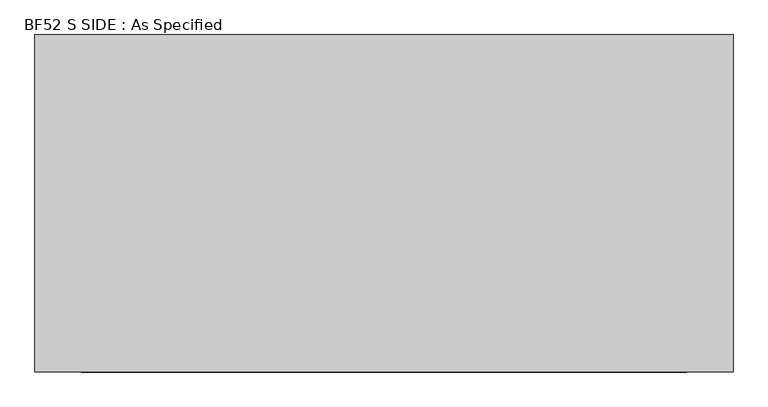
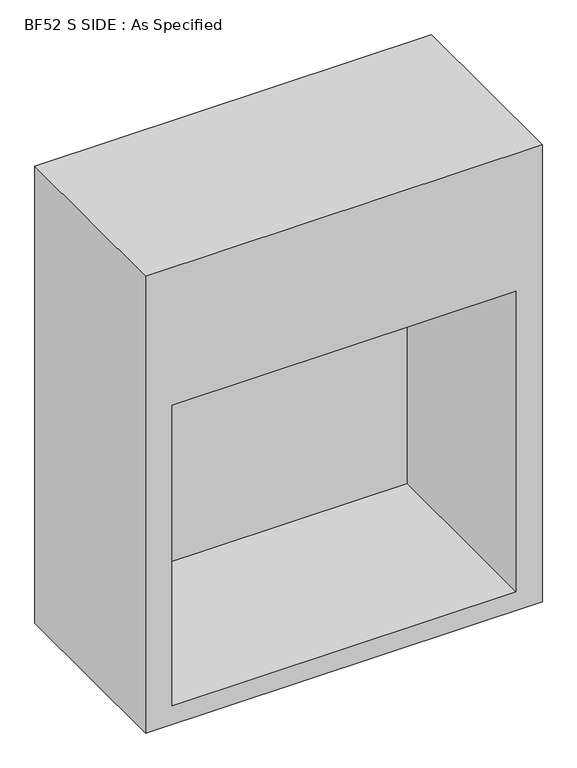
"""IFC4 building model written with IfcOpenShell, lengths in millimetres: proxy geometry, BF52 S SIDE : As Specified."""

from ifc_helpers import new_model, si_unit, origin, place, context, project, spatial, faceted_brep, source, transform, mapped, element, save


def bf52_s_side_as_specified_da9487c5(model_context):
    return source(origin(), model_context, "Body", "Brep", [
        faceted_brep([(762.0, 368.3, 1854.2), (-762.0, 368.3, 1854.2), (-762.0, -368.3, 1854.2), (762.0, -368.3, 1854.2), (762.0, 368.3, 0.0), (762.0, -368.3, 0.0), (-762.0, -368.3, 0.0), (-762.0, 368.3, 0.0), (-660.4, -368.3, 1295.4), (660.4, -368.3, 1295.4), (660.4, -368.3, 76.2), (-660.4, -368.3, 76.2), (660.4, 355.6, 1295.4), (-660.4, 355.6, 1295.4), (-660.4, 355.6, 76.2), (660.4, 355.6, 76.2)], [[[0, 1, 2, 3]], [[4, 5, 6, 7]], [[1, 0, 4, 7]], [[2, 1, 7, 6]], [[3, 2, 6, 5], [8, 9, 10, 11]], [[0, 3, 5, 4]], [[12, 13, 14, 15]], [[13, 12, 9, 8]], [[14, 13, 8, 11]], [[15, 14, 11, 10]], [[12, 15, 10, 9]]]),
    ])


if __name__ == "__main__":
    model = new_model("IFC4")
    model_context = context("Model", 3, world=origin())
    ifc_project = project(units=[si_unit("LENGTHUNIT", "METRE", prefix="MILLI")], contexts=[model_context])
    site = spatial("IfcSite", under=ifc_project)
    building = spatial("IfcBuilding", under=site)
    placement = place(None, origin())
    bf52_s_side_as_specified_shape = bf52_s_side_as_specified_da9487c5(model_context)
    element("IfcBuildingElementProxy", 1, Name="BF52 S SIDE : As Specified", ObjectType="BF52 S SIDE : As Specified", at=placement, inside=building, context=model_context, shape_type="MappedRepresentation", body=[
        mapped(bf52_s_side_as_specified_shape, transform((0.0, 0.0, 0.0), x_axis=(1.0, 0.0, 0.0), y_axis=(0.0, 1.0, 0.0), z_axis=(0.0, 0.0, 1.0))),
    ])
    save(model, "model.ifc")
